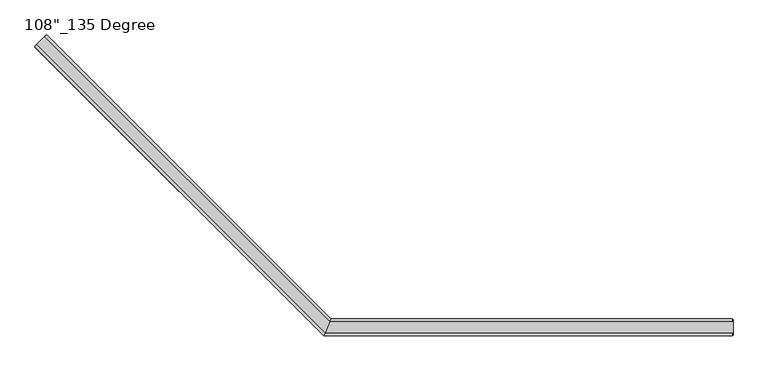
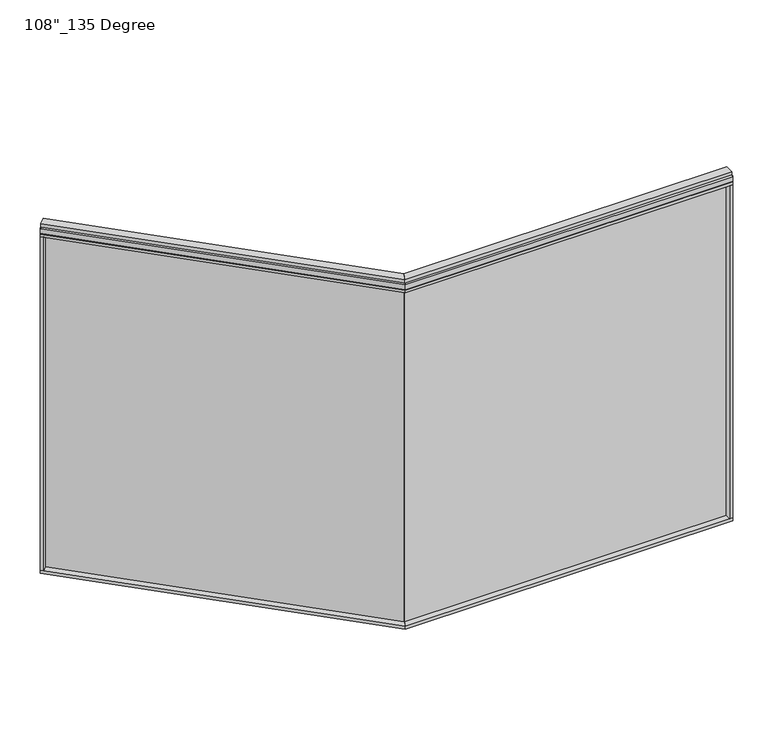
"""IFC4 building model written with IfcOpenShell, lengths in millimetres: furniture geometry."""

from ifc_helpers import new_model, si_unit, frame, origin, origin_with_axes, place, context, project, spatial, polyline, outline, extrude, faceted_brep, source, transform, mapped, element, save


def furniture_37740d80(model_context):
    return source(origin(), model_context, "Body", "SolidModel", [
        extrude(outline(polyline([(-2952.6174485, 1682.721048), (-2945.4332436, 1689.9052529), (-1253.1937802, -2.3342105), (-1260.3779851, -9.5184154), (-2952.6174485, 1682.721048)])), frame((0.0, 0.0, 31.75), z_axis=(0.0, 0.0, 1.0), x_axis=(1.0, 0.0, 0.0)), (0.0, 0.0, 1.0), 2622.55),
        extrude(outline(polyline([(-2928.8197698, 1737.9496232), (-1237.152425, 46.2822784), (-1279.2365229, -55.3177216), (-3000.6618188, 1666.1075742), (-2928.8197698, 1737.9496232)])), frame((0.0, 0.0, 2654.3), z_axis=(0.0, 0.0, 1.0), x_axis=(1.0, 0.0, 0.0)), (0.0, 0.0, 1.0), 22.225),
        faceted_brep([(-1237.152425, 46.2822784, 2681.478), (-1237.152425, 46.2822784, 2717.8), (-1279.2365229, -55.3177216, 2717.8), (-1279.2365229, -55.3177216, 2681.478), (-1277.1849232, -50.3647216, 2681.478), (-1277.1849232, -50.3647216, 2676.525), (-1239.2040248, 41.3292784, 2676.525), (-1239.2040248, 41.3292784, 2681.478), (-2928.8197698, 1737.9496232, 2681.478), (-2932.3220697, 1734.4473233, 2681.478), (-2932.3220697, 1734.4473233, 2676.525), (-2997.1595189, 1669.6098741, 2676.525), (-2997.1595189, 1669.6098741, 2681.478), (-3000.6618188, 1666.1075742, 2681.478), (-3000.6618188, 1666.1075742, 2717.8), (-2928.8197698, 1737.9496232, 2717.8)], [[[0, 1, 2, 3, 4, 5, 6, 7]], [[8, 9, 10, 11, 12, 13, 14, 15]], [[8, 0, 7, 9]], [[13, 3, 2, 14]], [[14, 2, 1, 15]], [[15, 1, 0, 8]], [[9, 7, 6, 10]], [[10, 6, 5, 11]], [[11, 5, 4, 12]], [[12, 4, 3, 13]]]),
        extrude(outline(polyline([(-2944.535218, 1727.8019338), (-1244.7275626, 27.9942784), (-1271.6613853, -37.0297216), (-2990.5141294, 1681.8230224), (-2944.535218, 1727.8019338)])), frame((0.0, 0.0, 2717.8), z_axis=(0.0, 0.0, 1.0), x_axis=(1.0, 0.0, 0.0)), (0.0, 0.0, 1.0), 25.4),
        extrude(outline(polyline([(-2928.8197698, 1737.9496232), (-1237.152425, 46.2822784), (-1279.2365229, -55.3177216), (-3000.6618188, 1666.1075742), (-2928.8197698, 1737.9496232)])), frame((0.0, 0.0, 9.525), z_axis=(0.0, 0.0, 1.0), x_axis=(1.0, 0.0, 0.0)), (0.0, 0.0, 1.0), 22.225),
        extrude(outline(polyline([(-2944.4005142, 1727.9366376), (-1244.6486549, 28.1847784), (-1271.740293, -37.2202216), (-2990.6488332, 1681.6883186), (-2944.4005142, 1727.9366376)])), origin_with_axes(), (0.0, 0.0, 1.0), 9.525),
        extrude(outline(polyline([(-2984.9463706, 1650.392126), (-3000.6618188, 1666.1075742), (-2928.8197698, 1737.9496232), (-2913.1043216, 1722.234175), (-2984.9463706, 1650.392126)])), frame((0.0, 0.0, 31.75), z_axis=(0.0, 0.0, 1.0), x_axis=(1.0, 0.0, 0.0)), (0.0, 0.0, 1.0), 2622.55),
        extrude(outline(polyline([(-2999.9433983, 1672.3937535), (-2935.1059491, 1737.2312027), (-2932.3220697, 1734.4473233), (-2997.1595189, 1669.6098741), (-2999.9433983, 1672.3937535)])), frame((0.0, 0.0, 9.525), z_axis=(0.0, 0.0, 1.0), x_axis=(1.0, 0.0, 0.0)), (0.0, 0.0, 1.0), 2708.275),
        extrude(outline(polyline([(1133.0014771, -9.5977216), (-1260.1865229, -9.5977216), (-1260.1865229, 0.5622784), (1133.0014771, 0.5622784), (1133.0014771, -9.5977216)])), frame((0.0, 0.0, 31.75), z_axis=(0.0, 0.0, 1.0), x_axis=(1.0, 0.0, 0.0)), (0.0, 0.0, 1.0), 2622.55),
        extrude(outline(polyline([(1155.2264771, 46.2822784), (1155.2264771, -55.3177216), (-1279.2365229, -55.3177216), (-1237.152425, 46.2822784), (1155.2264771, 46.2822784)])), frame((0.0, 0.0, 2654.3), z_axis=(0.0, 0.0, 1.0), x_axis=(1.0, 0.0, 0.0)), (0.0, 0.0, 1.0), 22.225),
        faceted_brep([(-1237.152425, 46.2822784, 2681.478), (-1239.2040248, 41.3292784, 2681.478), (-1239.2040248, 41.3292784, 2676.525), (-1277.1849232, -50.3647216, 2676.525), (-1277.1849232, -50.3647216, 2681.478), (-1279.2365229, -55.3177216, 2681.478), (-1279.2365229, -55.3177216, 2717.8), (-1237.152425, 46.2822784, 2717.8), (1155.2264771, 46.2822784, 2681.478), (1155.2264771, 46.2822784, 2717.8), (1155.2264771, -55.3177216, 2717.8), (1155.2264771, -55.3177216, 2681.478), (1155.2264771, -50.3647216, 2681.478), (1155.2264771, -50.3647216, 2676.525), (1155.2264771, 41.3292784, 2676.525), (1155.2264771, 41.3292784, 2681.478)], [[[0, 1, 2, 3, 4, 5, 6, 7]], [[8, 9, 10, 11, 12, 13, 14, 15]], [[8, 15, 1, 0]], [[11, 10, 6, 5]], [[10, 9, 7, 6]], [[9, 8, 0, 7]], [[15, 14, 2, 1]], [[14, 13, 3, 2]], [[13, 12, 4, 3]], [[12, 11, 5, 4]]]),
        extrude(outline(polyline([(1159.1634771, 27.9942784), (1159.1634771, -37.0297216), (-1271.6613853, -37.0297216), (-1244.7275626, 27.9942784), (1159.1634771, 27.9942784)])), frame((0.0, 0.0, 2717.8), z_axis=(0.0, 0.0, 1.0), x_axis=(1.0, 0.0, 0.0)), (0.0, 0.0, 1.0), 25.4),
        extrude(outline(polyline([(1155.2264771, 46.2822784), (1155.2264771, -55.3177216), (-1279.2365229, -55.3177216), (-1237.152425, 46.2822784), (1155.2264771, 46.2822784)])), frame((0.0, 0.0, 9.525), z_axis=(0.0, 0.0, 1.0), x_axis=(1.0, 0.0, 0.0)), (0.0, 0.0, 1.0), 22.225),
        extrude(outline(polyline([(1159.1634771, 28.1847784), (1159.1634771, -37.2202216), (-1271.740293, -37.2202216), (-1244.6486549, 28.1847784), (1159.1634771, 28.1847784)])), origin_with_axes(), (0.0, 0.0, 1.0), 9.525),
        extrude(outline(polyline([(1133.0014771, -55.3177216), (1133.0014771, 46.2822784), (1155.2264771, 46.2822784), (1155.2264771, -55.3177216), (1133.0014771, -55.3177216)])), frame((0.0, 0.0, 31.75), z_axis=(0.0, 0.0, 1.0), x_axis=(1.0, 0.0, 0.0)), (0.0, 0.0, 1.0), 2622.55),
        extrude(outline(polyline([(1159.1634771, -50.3647216), (1155.2264771, -50.3647216), (1155.2264771, 41.3292784), (1159.1634771, 41.3292784), (1159.1634771, -50.3647216)])), frame((0.0, 0.0, 9.525), z_axis=(0.0, 0.0, 1.0), x_axis=(1.0, 0.0, 0.0)), (0.0, 0.0, 1.0), 2708.275),
    ])


if __name__ == "__main__":
    model = new_model("IFC4")
    model_context = context("Model", 3, world=origin())
    ifc_project = project(units=[si_unit("LENGTHUNIT", "METRE", prefix="MILLI")], contexts=[model_context])
    site = spatial("IfcSite", under=ifc_project)
    building = spatial("IfcBuilding", under=site)
    placement = place(None, origin())
    furniture_shape = furniture_37740d80(model_context)
    element("IfcFurniture", 1, ObjectType="108\"_135 Degree", at=placement, inside=building, context=model_context, shape_type="MappedRepresentation", body=[
        mapped(furniture_shape, transform((0.0, 0.0, 0.0), x_axis=(1.0, 0.0, 0.0), y_axis=(0.0, 1.0, 0.0), z_axis=(0.0, 0.0, 1.0))),
    ])
    save(model, "model.ifc")
